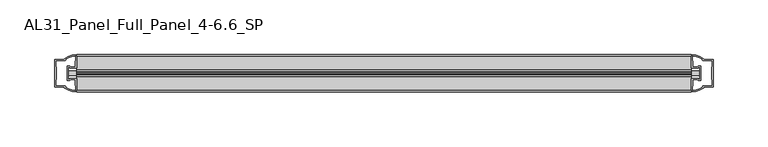
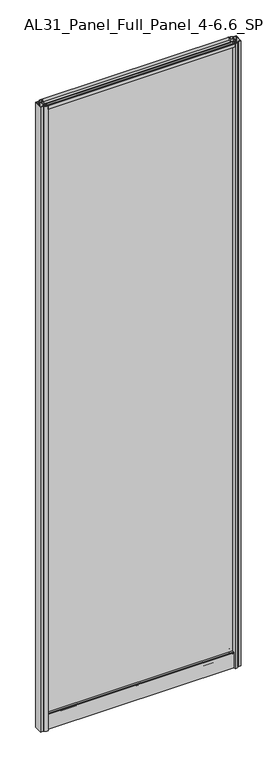
"""IFC4 building model written with IfcOpenShell, lengths in millimetres: plate geometry, AL31_Panel_Full_Panel_4-6.6_SP."""

import ifcopenshell
import ifcopenshell.guid

model = None  # the IFC model being written
_history = None  # IfcOwnerHistory: only IFC2X3 demands one
_inside = {}  # id of a spatial element -> (the spatial element, [elements in it])
_under = {}  # id of a project, library or spatial element -> (it, [spatial elements below it])
_declared = {}  # id of a project -> (the project, [libraries it declares])
_typed = {}  # id of a type object -> (the type object, [elements of that type])
_made_of = {}  # id of a material, layer set ... -> (it, [elements and type objects made of it])


def new_model(schema):
    """Start an empty IFC model of exactly this schema.

    Asked for "IFC4X3", IfcOpenShell would pick the latest addendum, in which some entities
    have other attributes; the version numbers below select the first issue.
    IFC2X3 requires an IfcOwnerHistory on every rooted entity: one is made here for all.
    """
    global model, _history
    if schema == "IFC4X3":
        model = ifcopenshell.file(schema_version=(4, 3, 0, 0))
    else:
        model = ifcopenshell.file(schema=schema)
    _inside.clear()
    _under.clear()
    _declared.clear()
    _typed.clear()
    _made_of.clear()
    _history = None
    if model.schema == "IFC2X3":
        org = make("IfcOrganization", Name="unknown")
        user = make(
            "IfcPersonAndOrganization",
            ThePerson=make("IfcPerson", FamilyName="unknown"),
            TheOrganization=org,
        )
        app = make(
            "IfcApplication",
            ApplicationDeveloper=org,
            Version="unknown",
            ApplicationFullName="unknown",
            ApplicationIdentifier="unknown",
        )
        _history = make(
            "IfcOwnerHistory",
            OwningUser=user,
            OwningApplication=app,
            ChangeAction="ADDED",
            CreationDate=0,
        )
    return model


def make(cls, **values):
    """One entity of the class cls with the attributes given. An attribute that is None is left unset."""
    return model.create_entity(
        cls, **{name: value for name, value in values.items() if value is not None}
    )


def rooted(cls, **values):
    """An entity with a GlobalId (a new one), such as an element, a storey or a relation."""
    return make(cls, GlobalId=ifcopenshell.guid.new(), OwnerHistory=_history, **values)


def si_unit(unit_type, name, prefix=None):
    """IfcSIUnit, for example si_unit("LENGTHUNIT", "METRE", prefix="MILLI")."""
    return make("IfcSIUnit", UnitType=unit_type, Prefix=prefix, Name=name)


def assignment(units):
    """IfcUnitAssignment: the units of a project."""
    return None if units is None else make("IfcUnitAssignment", Units=units)


def point(xyz):
    """IfcCartesianPoint."""
    return None if xyz is None else make("IfcCartesianPoint", Coordinates=xyz)


def direction(xyz):
    """IfcDirection."""
    return None if xyz is None else make("IfcDirection", DirectionRatios=xyz)


def frame(location, z_axis=None, x_axis=None):
    """IfcAxis2Placement3D, a coordinate frame: its origin and axes. An axis left out is left unset."""
    return make(
        "IfcAxis2Placement3D",
        Location=point(location),
        Axis=direction(z_axis),
        RefDirection=direction(x_axis),
    )


def frame_2d(location, x_axis=None):
    """IfcAxis2Placement2D, a coordinate frame in the plane: its origin and x axis."""
    return make(
        "IfcAxis2Placement2D", Location=point(location), RefDirection=direction(x_axis)
    )


def origin():
    """The frame at (0, 0, 0) with its axes left unset."""
    return frame((0.0, 0.0, 0.0))


def origin_with_axes():
    """The frame at (0, 0, 0) with the z axis (0, 0, 1) and the x axis (1, 0, 0) written out."""
    return frame((0.0, 0.0, 0.0), z_axis=(0.0, 0.0, 1.0), x_axis=(1.0, 0.0, 0.0))


def place(relative_to, where):
    """IfcLocalPlacement: puts the frame where relative to a parent placement (None: the world)."""
    return make(
        "IfcLocalPlacement", PlacementRelTo=relative_to, RelativePlacement=where
    )


def context(
    kind, dimensions, precision=None, world=None, true_north=None, identifier=None
):
    """IfcGeometricRepresentationContext, for example the 3D "Model" context."""
    return make(
        "IfcGeometricRepresentationContext",
        ContextIdentifier=identifier,
        ContextType=kind,
        CoordinateSpaceDimension=dimensions,
        Precision=precision,
        WorldCoordinateSystem=world,
        TrueNorth=true_north,
    )


def project(units=None, contexts=None):
    """IfcProject with its units and contexts."""
    return rooted(
        "IfcProject",
        Name="project",
        RepresentationContexts=contexts,
        UnitsInContext=assignment(units),
    )


def spatial(cls, under=None, at=None, **own):
    """A site, building, storey or space (cls), placed at a placement, below another one or the project."""
    s = rooted(cls, ObjectPlacement=at, **own)
    if under is not None:
        _under.setdefault(under.id(), (under, []))[1].append(s)
    return s


def polyline(points):
    """IfcPolyline through the points."""
    return make("IfcPolyline", Points=[point(p) for p in points])


def circle_curve(where, radius):
    """IfcCircle in the frame where."""
    return make("IfcCircle", Position=where, Radius=radius)


def trimmed(basis, trim1, trim2, sense, master):
    """IfcTrimmedCurve: the piece of a basis curve between two trims."""
    return make(
        "IfcTrimmedCurve",
        BasisCurve=basis,
        Trim1=trim1,
        Trim2=trim2,
        SenseAgreement=sense,
        MasterRepresentation=master,
    )


def segment(curve, same_sense, transition):
    """IfcCompositeCurveSegment."""
    return make(
        "IfcCompositeCurveSegment",
        Transition=transition,
        SameSense=same_sense,
        ParentCurve=curve,
    )


def composite_curve(segments, self_intersect=None):
    """IfcCompositeCurve: segments joined end to end."""
    return make("IfcCompositeCurve", Segments=segments, SelfIntersect=self_intersect)


def outline(outer, holes=None, kind="AREA"):
    """IfcArbitraryClosedProfileDef: a profile drawn as a closed curve; with holes, ...WithVoids."""
    if holes is None:
        return make("IfcArbitraryClosedProfileDef", ProfileType=kind, OuterCurve=outer)
    return make(
        "IfcArbitraryProfileDefWithVoids",
        ProfileType=kind,
        OuterCurve=outer,
        InnerCurves=holes,
    )


def extrude(swept, where, along, depth):
    """IfcExtrudedAreaSolid: the profile swept, set in the frame where, extruded along a direction by depth."""
    return make(
        "IfcExtrudedAreaSolid",
        SweptArea=swept,
        Position=where,
        ExtrudedDirection=direction(along),
        Depth=depth,
    )


def shape(context_of_items, identifier, shape_type, items):
    """IfcShapeRepresentation: the items that make up one representation, for example the "Body"."""
    return make(
        "IfcShapeRepresentation",
        ContextOfItems=context_of_items,
        RepresentationIdentifier=identifier,
        RepresentationType=shape_type,
        Items=items,
    )


def source(mapping_origin, context_of_items, identifier, shape_type, items):
    """IfcRepresentationMap: a shape defined once, which mapped items show again and again."""
    return make(
        "IfcRepresentationMap",
        MappingOrigin=mapping_origin,
        MappedRepresentation=shape(context_of_items, identifier, shape_type, items),
    )


def transform(
    local_origin,
    x_axis=None,
    y_axis=None,
    z_axis=None,
    scale=None,
    scale2=None,
    scale3=None,
    uniform=True,
):
    """IfcCartesianTransformationOperator3D, or its non-uniform kind. x_axis, y_axis, z_axis: its Axis1, 2, 3."""
    if uniform:
        return make(
            "IfcCartesianTransformationOperator3D",
            Axis1=direction(x_axis),
            Axis2=direction(y_axis),
            LocalOrigin=point(local_origin),
            Scale=scale,
            Axis3=direction(z_axis),
        )
    return make(
        "IfcCartesianTransformationOperator3DnonUniform",
        Axis1=direction(x_axis),
        Axis2=direction(y_axis),
        LocalOrigin=point(local_origin),
        Scale=scale,
        Axis3=direction(z_axis),
        Scale2=scale2,
        Scale3=scale3,
    )


def mapped(mapping_source, mapping_target):
    """IfcMappedItem: shows the shape of a source again, moved by a transform."""
    return make(
        "IfcMappedItem", MappingSource=mapping_source, MappingTarget=mapping_target
    )


def made_of(thing, what):
    """Note that an element or type object is made of a material, layer set ...; save() writes the relation."""
    if what is not None:
        _made_of.setdefault(what.id(), (what, []))[1].append(thing)
    return thing


def element(
    cls,
    number,
    at=None,
    inside=None,
    cuts=None,
    type_object=None,
    material=None,
    context=None,
    identifier="Body",
    shape_type=None,
    held_by="IfcProductDefinitionShape",
    body=None,
    shapes=None,
    **own,
):
    """One element of the class cls, such as IfcWall. Its Tag is "e" and its number.

    at: its placement. inside: the storey or other place that contains it. cuts: it is an
    opening in that element (IfcRelVoidsElement). A single representation is given by context,
    identifier, shape_type and body (its items); several are given by shapes. held_by: the class
    of the entity that holds the representations. save() writes the other relations.
    """
    e = rooted(cls, Tag="e%d" % number, ObjectPlacement=at, **own)
    if body is not None:
        shapes = [shape(context, identifier, shape_type, body)]
    if shapes is not None:
        e.Representation = make(held_by, Representations=shapes)
    if inside is not None:
        _inside.setdefault(inside.id(), (inside, []))[1].append(e)
    if cuts is not None:
        rooted(
            "IfcRelVoidsElement", RelatingBuildingElement=cuts, RelatedOpeningElement=e
        )
    if type_object is not None:
        _typed.setdefault(type_object.id(), (type_object, []))[1].append(e)
    return made_of(e, material)


def aggregate(whole, parts):
    """IfcRelAggregates: a whole, such as a stair, and the parts it consists of."""
    return rooted("IfcRelAggregates", RelatingObject=whole, RelatedObjects=parts)


def save(model, path):
    """Write the relations noted so far, then the file.

    IfcRelAggregates (storeys below a building ...), IfcRelContainedInSpatialStructure (elements
    in a storey), IfcRelDefinesByType, IfcRelAssociatesMaterial and IfcRelDeclares: one each for
    every whole, place, type object, material and project.
    """
    for whole, parts in _under.values():
        aggregate(whole, parts)
    for where, things in _inside.values():
        rooted(
            "IfcRelContainedInSpatialStructure",
            RelatedElements=things,
            RelatingStructure=where,
        )
    for kind, things in _typed.values():
        rooted("IfcRelDefinesByType", RelatedObjects=things, RelatingType=kind)
    for what, things in _made_of.values():
        rooted("IfcRelAssociatesMaterial", RelatedObjects=things, RelatingMaterial=what)
    for by, libraries in _declared.values():
        rooted("IfcRelDeclares", RelatingContext=by, RelatedDefinitions=libraries)
    model.write(path)


def al31_panel_full_panel_4_6_6_sp_ffb2eeb7(model_context):
    return source(origin(), model_context, "Body", "SweptSolid", [
        extrude(outline(composite_curve([segment(polyline([(-1.4, 1968.8980762), (-0.85, 1967.9454483)]), True, "CONTINUOUS"), segment(trimmed(circle_curve(frame_2d((0.1, 1966.3)), 1.9), [point((-0.85, 1967.9454483))], [point((1.05, 1967.9454483))], True, "CARTESIAN"), True, "CONTINUOUS"), segment(polyline([(1.05, 1967.9454483), (1.6, 1968.8980762)]), True, "CONTINUOUS"), segment(trimmed(circle_curve(frame_2d((0.1, 1966.3)), 3.0), [point((1.6, 1968.8980762))], [point((2.5718414, 1964.6))], False, "CARTESIAN"), True, "CONTINUOUS"), segment(polyline([(2.5718414, 1964.6), (15.7, 1964.6), (15.7, 1974.0), (17.0, 1974.0), (17.0, 1963.5), (6.7024688, 1963.5), (6.7024688, 1962.7), (6.1968782, 1960.7785039), (6.1968782, 1956.1), (5.0, 1956.1), (5.0, 1961.4339746), (5.5, 1962.3), (5.5, 1963.5), (-5.5, 1963.5), (-5.5, 1962.3), (-5.0, 1961.4339746), (-5.0, 1956.1), (-6.1968782, 1956.1), (-6.1968782, 1960.7785039), (-6.7024688, 1962.7), (-6.7024688, 1963.5), (-17.0, 1963.5), (-17.0, 1974.0), (-15.7, 1974.0), (-15.7, 1964.6), (-2.3718414, 1964.6)]), True, "CONTINUOUS"), segment(trimmed(circle_curve(frame_2d((0.1, 1966.3)), 3.0), [point((-2.3718414, 1964.6))], [point((-1.4, 1968.8980762))], False, "CARTESIAN"), True, "CONTINUOUS")], self_intersect=False)), frame((-280.0, 0.0, 0.0), z_axis=(1.0, 0.0, 0.0), x_axis=(0.0, 1.0, 0.0)), (0.0, 0.0, 1.0), 560.0),
        extrude(outline(composite_curve([segment(polyline([(-287.8414214, -5.9), (-286.6414214, -5.9), (-286.6414214, -5.0), (-280.0, -5.0), (-280.0, -17.0001453)]), True, "CONTINUOUS"), segment(trimmed(circle_curve(frame_2d((-279.6353484, 2.9965302)), 20.0), [point((-280.0, -17.0001453))], [point((-291.3558352, -13.2093388))], False, "CARTESIAN"), True, "CONTINUOUS"), segment(polyline([(-291.3558352, -13.2093388), (-291.3558352, -12.3279343), (-300.0, -12.3279343), (-300.0, 12.3720657), (-291.3558352, 12.3720657), (-291.3558352, 13.2095249)]), True, "CONTINUOUS"), segment(trimmed(circle_curve(frame_2d((-279.6353484, -2.9963441)), 20.0), [point((-291.3558352, 13.2095249))], [point((-280.0, 17.0003314))], False, "CARTESIAN"), True, "CONTINUOUS"), segment(polyline([(-280.0, 17.0003314), (-280.0, 5.0), (-286.6414214, 5.0), (-286.6414214, 5.9), (-287.8414214, 5.9), (-287.8414214, -5.9)]), True, "CONTINUOUS")], self_intersect=False), holes=[composite_curve([segment(trimmed(circle_curve(frame_2d((-286.8414214, 5.7)), 1.5), [point((-286.8414214, 7.2))], [point((-285.4861671, 6.3428731))], False, "CARTESIAN"), True, "CONTINUOUS"), segment(polyline([(-285.4861671, 6.3428731), (-281.7414214, 6.3428731), (-281.7414214, 10.939223), (-281.3020815, 11.9998832), (-281.3020815, 15.6499817)]), True, "CONTINUOUS"), segment(trimmed(circle_curve(frame_2d((-279.6353484, -2.9755921)), 18.7), [point((-281.3020815, 15.6499817))], [point((-289.6421262, 12.8216987))], True, "CARTESIAN"), True, "CONTINUOUS"), segment(trimmed(circle_curve(frame_2d((-291.4414214, 12.8720657)), 1.8), [point((-289.6421262, 12.8216987))], [point((-291.4414214, 11.0720657))], False, "CARTESIAN"), True, "CONTINUOUS"), segment(polyline([(-291.4414214, 11.0720657), (-298.5828427, 11.0720657), (-298.5828427, 6.5019606), (-298.1414214, 5.439223), (-298.1414214, -5.3950916), (-298.6414214, -6.3879987), (-298.6414214, -11.0279343), (-291.4414214, -11.0279343)]), True, "CONTINUOUS"), segment(trimmed(circle_curve(frame_2d((-291.4414214, -12.8279343)), 1.8), [point((-291.4414214, -11.0279343))], [point((-289.6421262, -12.7775673))], False, "CARTESIAN"), True, "CONTINUOUS"), segment(trimmed(circle_curve(frame_2d((-279.6353484, 3.0197235)), 18.7), [point((-289.6421262, -12.7775673))], [point((-281.3020815, -15.6058503))], True, "CARTESIAN"), True, "CONTINUOUS"), segment(polyline([(-281.3020815, -15.6058503), (-281.3020815, -11.9557518), (-281.7414214, -10.8950916), (-281.7414214, -6.2991308), (-285.4662696, -6.2991308)]), True, "CONTINUOUS"), segment(trimmed(circle_curve(frame_2d((-286.8414214, -5.7)), 1.5), [point((-285.4662696, -6.2991308))], [point((-286.8414214, -7.2))], False, "CARTESIAN"), True, "CONTINUOUS"), segment(polyline([(-286.8414214, -7.2), (-289.1414214, -7.2), (-289.1414214, 7.2), (-286.8414214, 7.2)]), True, "CONTINUOUS")], self_intersect=False)]), origin_with_axes(), (0.0, 0.0, 1.0), 1974.0),
        extrude(outline(composite_curve([segment(polyline([(287.8414214, 5.9), (286.6414214, 5.9), (286.6414214, 5.0), (280.0, 5.0), (280.0, 17.0001453)]), True, "CONTINUOUS"), segment(trimmed(circle_curve(frame_2d((279.6353484, -2.9965302)), 20.0), [point((280.0, 17.0001453))], [point((291.3558352, 13.2093388))], False, "CARTESIAN"), True, "CONTINUOUS"), segment(polyline([(291.3558352, 13.2093388), (291.3558352, 12.3279343), (300.0, 12.3279343), (300.0, -12.3720657), (291.3558352, -12.3720657), (291.3558352, -13.2095249)]), True, "CONTINUOUS"), segment(trimmed(circle_curve(frame_2d((279.6353484, 2.9963441)), 20.0), [point((291.3558352, -13.2095249))], [point((280.0, -17.0003314))], False, "CARTESIAN"), True, "CONTINUOUS"), segment(polyline([(280.0, -17.0003314), (280.0, -5.0), (286.6414214, -5.0), (286.6414214, -5.9), (287.8414214, -5.9), (287.8414214, 5.9)]), True, "CONTINUOUS")], self_intersect=False), holes=[composite_curve([segment(trimmed(circle_curve(frame_2d((286.8414214, -5.7)), 1.5), [point((286.8414214, -7.2))], [point((285.4861671, -6.3428731))], False, "CARTESIAN"), True, "CONTINUOUS"), segment(polyline([(285.4861671, -6.3428731), (281.7414214, -6.3428731), (281.7414214, -10.939223), (281.3020815, -11.9998832), (281.3020815, -15.6499817)]), True, "CONTINUOUS"), segment(trimmed(circle_curve(frame_2d((279.6353484, 2.9755921)), 18.7), [point((281.3020815, -15.6499817))], [point((289.6421262, -12.8216987))], True, "CARTESIAN"), True, "CONTINUOUS"), segment(trimmed(circle_curve(frame_2d((291.4414214, -12.8720657)), 1.8), [point((289.6421262, -12.8216987))], [point((291.4414214, -11.0720657))], False, "CARTESIAN"), True, "CONTINUOUS"), segment(polyline([(291.4414214, -11.0720657), (298.5828427, -11.0720657), (298.5828427, -6.5019606), (298.1414214, -5.439223), (298.1414214, 5.3950916), (298.6414214, 6.3879987), (298.6414214, 11.0279343), (291.4414214, 11.0279343)]), True, "CONTINUOUS"), segment(trimmed(circle_curve(frame_2d((291.4414214, 12.8279343)), 1.8), [point((291.4414214, 11.0279343))], [point((289.6421262, 12.7775673))], False, "CARTESIAN"), True, "CONTINUOUS"), segment(trimmed(circle_curve(frame_2d((279.6353484, -3.0197235)), 18.7), [point((289.6421262, 12.7775673))], [point((281.3020815, 15.6058503))], True, "CARTESIAN"), True, "CONTINUOUS"), segment(polyline([(281.3020815, 15.6058503), (281.3020815, 11.9557518), (281.7414214, 10.8950916), (281.7414214, 6.2991308), (285.4662696, 6.2991308)]), True, "CONTINUOUS"), segment(trimmed(circle_curve(frame_2d((286.8414214, 5.7)), 1.5), [point((285.4662696, 6.2991308))], [point((286.8414214, 7.2))], False, "CARTESIAN"), True, "CONTINUOUS"), segment(polyline([(286.8414214, 7.2), (289.1414214, 7.2), (289.1414214, -7.2), (286.8414214, -7.2)]), True, "CONTINUOUS")], self_intersect=False)]), origin_with_axes(), (0.0, 0.0, 1.0), 1974.0),
        extrude(outline(composite_curve([segment(trimmed(circle_curve(frame_2d((-8.4, 34.8)), 1.0), [point((-8.4, 35.8))], [point((-9.4, 34.8))], True, "CARTESIAN"), True, "CONTINUOUS"), segment(polyline([(-9.4, 34.8), (-9.4, 33.5), (-5.0000303, 33.5), (-5.0000303, 32.3), (-9.4, 32.3), (-9.4, 0.0), (-10.6, 0.0), (-10.6, 47.3)]), True, "CONTINUOUS"), segment(trimmed(circle_curve(frame_2d((-8.6, 47.3)), 2.0), [point((-10.6, 47.3))], [point((-8.6, 49.3))], False, "CARTESIAN"), True, "CONTINUOUS"), segment(polyline([(-8.6, 49.3), (-5.0, 49.3), (-5.0, 41.9), (5.0, 41.9), (5.0, 49.3), (8.6, 49.3)]), True, "CONTINUOUS"), segment(trimmed(circle_curve(frame_2d((8.6, 47.3)), 2.0), [point((8.6, 49.3))], [point((10.6, 47.3))], False, "CARTESIAN"), True, "CONTINUOUS"), segment(polyline([(10.6, 47.3), (10.6, 0.0), (9.4, 0.0), (9.4, 32.3), (4.9999697, 32.3), (4.9999697, 33.5), (9.4, 33.5), (9.4, 34.8)]), True, "CONTINUOUS"), segment(trimmed(circle_curve(frame_2d((8.4, 34.8)), 1.0), [point((9.4, 34.8))], [point((8.4, 35.8))], True, "CARTESIAN"), True, "CONTINUOUS"), segment(polyline([(8.4, 35.8), (-8.4, 35.8)]), True, "CONTINUOUS")], self_intersect=False), holes=[composite_curve([segment(trimmed(circle_curve(frame_2d((5.5024688, 41.8)), 1.0), [point((6.5024688, 41.8))], [point((5.5024688, 40.8))], False, "CARTESIAN"), True, "CONTINUOUS"), segment(polyline([(5.5024688, 40.8), (2.8008965, 40.8), (2.8008965, 39.7274194), (1.8370508, 39.7274194)]), True, "CONTINUOUS"), segment(trimmed(circle_curve(frame_2d((0.0, 38.7)), 2.1048387), [point((1.8370508, 39.7274194))], [point((-1.8370508, 39.7274194))], True, "CARTESIAN"), True, "CONTINUOUS"), segment(polyline([(-1.8370508, 39.7274194), (-2.8008965, 39.7274194), (-2.8008965, 40.8), (-5.5024688, 40.8)]), True, "CONTINUOUS"), segment(trimmed(circle_curve(frame_2d((-5.5024688, 41.8)), 1.0), [point((-5.5024688, 40.8))], [point((-6.5024688, 41.8))], False, "CARTESIAN"), True, "CONTINUOUS"), segment(polyline([(-6.5024688, 41.8), (-6.5024688, 42.7)]), True, "CONTINUOUS"), segment(trimmed(circle_curve(frame_2d((-5.3024688, 42.7)), 1.2), [point((-6.5024688, 42.7))], [point((-6.1198184, 43.5786009))], False, "CARTESIAN"), True, "CONTINUOUS"), segment(polyline([(-6.1198184, 43.5786009), (-6.1198184, 48.2), (-8.4, 48.2)]), True, "CONTINUOUS"), segment(trimmed(circle_curve(frame_2d((-8.4, 47.2)), 1.0), [point((-8.4, 48.2))], [point((-9.4, 47.2))], True, "CARTESIAN"), True, "CONTINUOUS"), segment(polyline([(-9.4, 47.2), (-9.4, 37.04), (-2.8008965, 37.04), (-2.8008965, 38.0725806), (-1.8370508, 38.0725806)]), True, "CONTINUOUS"), segment(trimmed(circle_curve(frame_2d((0.0, 39.1)), 2.1048387), [point((-1.8370508, 38.0725806))], [point((1.8370508, 38.0725806))], True, "CARTESIAN"), True, "CONTINUOUS"), segment(polyline([(1.8370508, 38.0725806), (2.8008965, 38.0725806), (2.8008965, 37.04), (9.4, 37.04), (9.4, 47.2)]), True, "CONTINUOUS"), segment(trimmed(circle_curve(frame_2d((8.4, 47.2)), 1.0), [point((9.4, 47.2))], [point((8.4, 48.2))], True, "CARTESIAN"), True, "CONTINUOUS"), segment(polyline([(8.4, 48.2), (6.1198184, 48.2), (6.1198184, 43.7786009)]), True, "CONTINUOUS"), segment(trimmed(circle_curve(frame_2d((5.3024688, 42.9)), 1.2), [point((6.1198184, 43.7786009))], [point((6.5024688, 42.9))], False, "CARTESIAN"), True, "CONTINUOUS"), segment(polyline([(6.5024688, 42.9), (6.5024688, 41.8)]), True, "CONTINUOUS")], self_intersect=False)]), frame((-280.0, 0.0, 0.0), z_axis=(1.0, 0.0, 0.0), x_axis=(0.0, 1.0, 0.0)), (0.0, 0.0, 1.0), 560.0),
        extrude(outline(polyline([(287.8414214, 2.0), (287.8414214, -2.0), (-287.8414214, -2.0), (-287.8414214, 2.0), (287.8414214, 2.0)])), frame((0.0, 0.0, 41.9), z_axis=(0.0, 0.0, 1.0), x_axis=(1.0, 0.0, 0.0)), (0.0, 0.0, 1.0), 1921.6),
    ])


if __name__ == "__main__":
    model = new_model("IFC4")
    model_context = context("Model", 3, world=origin())
    ifc_project = project(units=[si_unit("LENGTHUNIT", "METRE", prefix="MILLI")], contexts=[model_context])
    site = spatial("IfcSite", under=ifc_project)
    building = spatial("IfcBuilding", under=site)
    placement = place(None, origin())
    al31_panel_full_panel_4_6_6_sp_shape = al31_panel_full_panel_4_6_6_sp_ffb2eeb7(model_context)
    element("IfcPlate", 1, ObjectType="AL31_Panel_Full_Panel_4-6.6_SP", at=placement, inside=building, context=model_context, shape_type="MappedRepresentation", body=[
        mapped(al31_panel_full_panel_4_6_6_sp_shape, transform((0.0, 0.0, 0.0), x_axis=(1.0, 0.0, 0.0), y_axis=(0.0, 1.0, 0.0), z_axis=(0.0, 0.0, 1.0))),
    ])
    save(model, "model.ifc")
